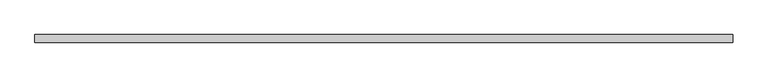
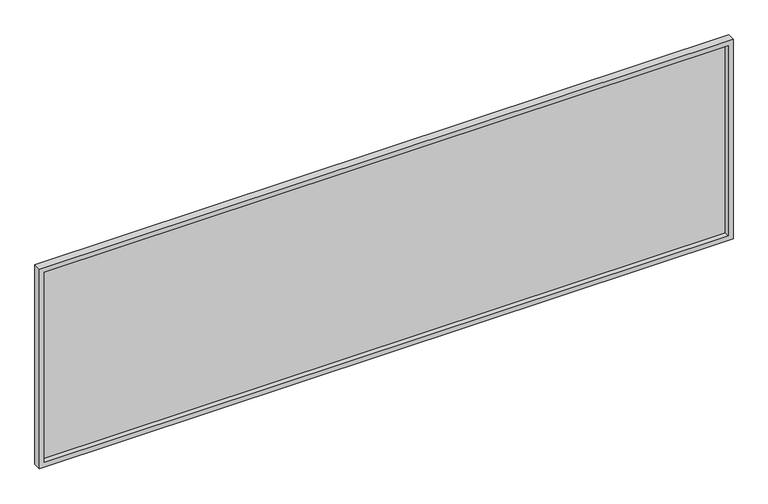
"""IFC4 building model written with IfcOpenShell, lengths in millimetres: furniture geometry."""

from ifc_helpers import new_model, si_unit, frame, origin, place, context, project, spatial, polyline, outline, extrude, source, transform, mapped, element, save


def furniture_e4243897(model_context):
    return source(origin(), model_context, "Body", "SweptSolid", [
        extrude(outline(polyline([(2720.0, -10.0), (20.0, -10.0), (20.0, 0.0), (2720.0, 0.0), (2720.0, -10.0)])), frame((0.0, 0.0, 976.0375989), z_axis=(0.0, 0.0, 1.0), x_axis=(1.0, 0.0, 0.0)), (0.0, 0.0, 1.0), 793.6562409),
        extrude(outline(polyline([(956.0375989, 2740.0), (1789.6938399, 2740.0), (1789.6938399, 0.0), (956.0375989, 0.0), (956.0375989, 2740.0)]), holes=[polyline([(976.0375989, 2720.0), (976.0375989, 20.0), (1769.6938399, 20.0), (1769.6938399, 2720.0), (976.0375989, 2720.0)])]), frame((0.0, -30.0, 0.0), z_axis=(0.0, 1.0, 0.0), x_axis=(0.0, 0.0, 1.0)), (0.0, 0.0, 1.0), 30.0),
    ])


if __name__ == "__main__":
    model = new_model("IFC4")
    model_context = context("Model", 3, world=origin())
    ifc_project = project(units=[si_unit("LENGTHUNIT", "METRE", prefix="MILLI")], contexts=[model_context])
    site = spatial("IfcSite", under=ifc_project)
    building = spatial("IfcBuilding", under=site)
    placement = place(None, origin())
    furniture_shape = furniture_e4243897(model_context)
    element("IfcFurniture", 1, at=placement, inside=building, context=model_context, shape_type="MappedRepresentation", body=[
        mapped(furniture_shape, transform((0.0, 0.0, 0.0), x_axis=(1.0, 0.0, 0.0), y_axis=(0.0, 1.0, 0.0), z_axis=(0.0, 0.0, 1.0))),
    ])
    save(model, "model.ifc")
